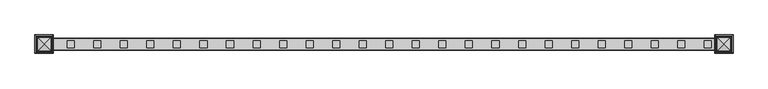
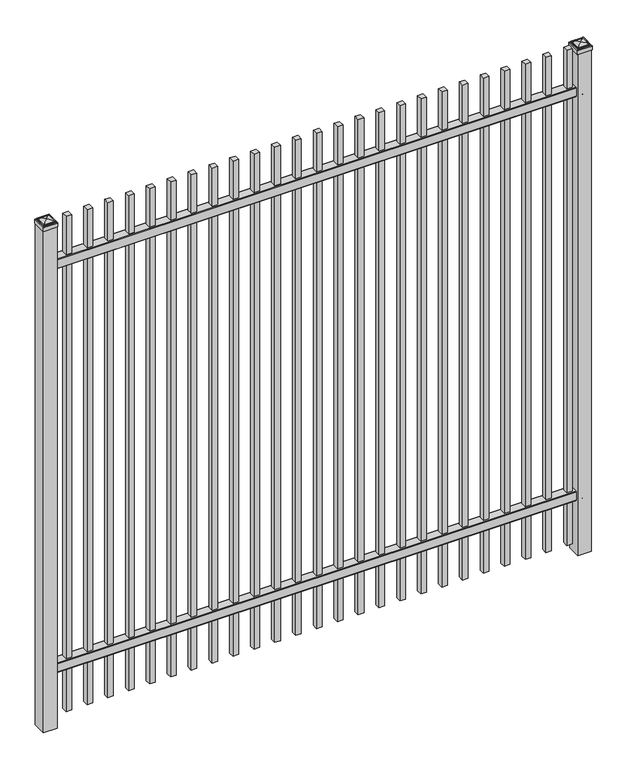
"""IFC4 building model written with IfcOpenShell, lengths in millimetres: railing geometry."""

from ifc_helpers import new_model, si_unit, point, frame, frame_2d, origin, origin_with_axes, place, context, project, spatial, polyline, circle_curve, ellipse_curve, trimmed, segment, composite_curve, outline, extrude, source, transform, mapped, element, save
from ifc_brep_helpers import plane_surface, cylinder_surface, advanced_brep


def railing_2d5fb103(model_context):
    return source(origin(), model_context, "Body", "SolidModel", [
        extrude(outline(composite_curve([segment(polyline([(7301.9139761, 304.8), (7339.969541, 304.8)]), True, "CONTINUOUS"), segment(trimmed(circle_curve(frame_2d((7339.969541, 301.625)), 3.175), [point((7339.969541, 304.8))], [point((7343.144541, 301.625))], False, "CARTESIAN"), True, "CONTINUOUS"), segment(polyline([(7343.144541, 301.625), (7343.144541, 262.1439893)]), True, "CONTINUOUS"), segment(trimmed(circle_curve(frame_2d((7341.3505518, 262.1439893)), 1.7939893), [point((7343.144541, 262.1439893))], [point((7341.3505518, 260.35))], False, "CARTESIAN"), True, "CONTINUOUS"), segment(polyline([(7341.3505518, 260.35), (7338.7590713, 260.35)]), True, "CONTINUOUS"), segment(trimmed(circle_curve(frame_2d((7338.7590713, 262.1359375)), 1.7859375), [point((7338.7590713, 260.35))], [point((7336.9755813, 262.0424688))], False, "CARTESIAN"), True, "CONTINUOUS"), segment(polyline([(7336.9755813, 262.0424688), (7335.4025867, 292.0569942), (7306.4364954, 292.0569942), (7304.8635007, 262.0424688)]), True, "CONTINUOUS"), segment(trimmed(circle_curve(frame_2d((7303.0800108, 262.1359375)), 1.7859375), [point((7304.8635007, 262.0424688))], [point((7303.0800108, 260.35))], False, "CARTESIAN"), True, "CONTINUOUS"), segment(polyline([(7303.0800108, 260.35), (7300.4804785, 260.35)]), True, "CONTINUOUS"), segment(trimmed(circle_curve(frame_2d((7300.4804785, 262.1359375)), 1.7859375), [point((7300.4804785, 260.35))], [point((7298.694541, 262.1359375))], False, "CARTESIAN"), True, "CONTINUOUS"), segment(polyline([(7298.694541, 262.1359375), (7298.694541, 301.5805649)]), True, "CONTINUOUS"), segment(trimmed(circle_curve(frame_2d((7301.9139761, 301.5805649)), 3.2194351), [point((7298.694541, 301.5805649))], [point((7301.9139761, 304.8))], False, "CARTESIAN"), True, "CONTINUOUS")], self_intersect=False)), frame((2341.3350064, 0.0, 0.0), z_axis=(1.0, 0.0, 0.0), x_axis=(0.0, 1.0, 0.0)), (0.0, 0.0, 1.0), 2438.4),
        extrude(outline(composite_curve([segment(polyline([(7301.9139761, 2252.6625), (7339.969541, 2252.6625)]), True, "CONTINUOUS"), segment(trimmed(circle_curve(frame_2d((7339.969541, 2249.4875)), 3.175), [point((7339.969541, 2252.6625))], [point((7343.144541, 2249.4875))], False, "CARTESIAN"), True, "CONTINUOUS"), segment(polyline([(7343.144541, 2249.4875), (7343.144541, 2210.0064893)]), True, "CONTINUOUS"), segment(trimmed(circle_curve(frame_2d((7341.3505518, 2210.0064893)), 1.7939893), [point((7343.144541, 2210.0064893))], [point((7341.3505518, 2208.2125))], False, "CARTESIAN"), True, "CONTINUOUS"), segment(polyline([(7341.3505518, 2208.2125), (7338.7590713, 2208.2125)]), True, "CONTINUOUS"), segment(trimmed(circle_curve(frame_2d((7338.7590713, 2209.9984375)), 1.7859375), [point((7338.7590713, 2208.2125))], [point((7336.9755813, 2209.9049688))], False, "CARTESIAN"), True, "CONTINUOUS"), segment(polyline([(7336.9755813, 2209.9049688), (7335.4025867, 2239.9194942), (7306.4364954, 2239.9194942), (7304.8635007, 2209.9049688)]), True, "CONTINUOUS"), segment(trimmed(circle_curve(frame_2d((7303.0800108, 2209.9984375)), 1.7859375), [point((7304.8635007, 2209.9049688))], [point((7303.0800108, 2208.2125))], False, "CARTESIAN"), True, "CONTINUOUS"), segment(polyline([(7303.0800108, 2208.2125), (7300.4804785, 2208.2125)]), True, "CONTINUOUS"), segment(trimmed(circle_curve(frame_2d((7300.4804785, 2209.9984375)), 1.7859375), [point((7300.4804785, 2208.2125))], [point((7298.694541, 2209.9984375))], False, "CARTESIAN"), True, "CONTINUOUS"), segment(polyline([(7298.694541, 2209.9984375), (7298.694541, 2249.4430649)]), True, "CONTINUOUS"), segment(trimmed(circle_curve(frame_2d((7301.9139761, 2249.4430649)), 3.2194351), [point((7298.694541, 2249.4430649))], [point((7301.9139761, 2252.6625))], False, "CARTESIAN"), True, "CONTINUOUS")], self_intersect=False)), frame((2341.3350064, 0.0, 0.0), z_axis=(1.0, 0.0, 0.0), x_axis=(0.0, 1.0, 0.0)), (0.0, 0.0, 1.0), 2438.4),
        extrude(outline(polyline([(4709.8850064, 7333.619541), (4735.2850064, 7333.619541), (4735.2850064, 7308.219541), (4709.8850064, 7308.219541), (4709.8850064, 7333.619541)])), frame((0.0, 0.0, 50.8), z_axis=(0.0, 0.0, 1.0), x_axis=(1.0, 0.0, 0.0)), (0.0, 0.0, 1.0), 2387.6),
        extrude(outline(polyline([(4614.6350064, 7333.619541), (4640.0350064, 7333.619541), (4640.0350064, 7308.219541), (4614.6350064, 7308.219541), (4614.6350064, 7333.619541)])), frame((0.0, 0.0, 50.8), z_axis=(0.0, 0.0, 1.0), x_axis=(1.0, 0.0, 0.0)), (0.0, 0.0, 1.0), 2387.6),
        extrude(outline(polyline([(4519.3850064, 7333.619541), (4544.7850064, 7333.619541), (4544.7850064, 7308.219541), (4519.3850064, 7308.219541), (4519.3850064, 7333.619541)])), frame((0.0, 0.0, 50.8), z_axis=(0.0, 0.0, 1.0), x_axis=(1.0, 0.0, 0.0)), (0.0, 0.0, 1.0), 2387.6),
        extrude(outline(polyline([(4424.1350064, 7333.619541), (4449.5350064, 7333.619541), (4449.5350064, 7308.219541), (4424.1350064, 7308.219541), (4424.1350064, 7333.619541)])), frame((0.0, 0.0, 50.8), z_axis=(0.0, 0.0, 1.0), x_axis=(1.0, 0.0, 0.0)), (0.0, 0.0, 1.0), 2387.6),
        extrude(outline(polyline([(4328.8850064, 7333.619541), (4354.2850064, 7333.619541), (4354.2850064, 7308.219541), (4328.8850064, 7308.219541), (4328.8850064, 7333.619541)])), frame((0.0, 0.0, 50.8), z_axis=(0.0, 0.0, 1.0), x_axis=(1.0, 0.0, 0.0)), (0.0, 0.0, 1.0), 2387.6),
        extrude(outline(polyline([(4233.6350064, 7333.619541), (4259.0350064, 7333.619541), (4259.0350064, 7308.219541), (4233.6350064, 7308.219541), (4233.6350064, 7333.619541)])), frame((0.0, 0.0, 50.8), z_axis=(0.0, 0.0, 1.0), x_axis=(1.0, 0.0, 0.0)), (0.0, 0.0, 1.0), 2387.6),
        extrude(outline(polyline([(4138.3850064, 7333.619541), (4163.7850064, 7333.619541), (4163.7850064, 7308.219541), (4138.3850064, 7308.219541), (4138.3850064, 7333.619541)])), frame((0.0, 0.0, 50.8), z_axis=(0.0, 0.0, 1.0), x_axis=(1.0, 0.0, 0.0)), (0.0, 0.0, 1.0), 2387.6),
        extrude(outline(polyline([(4043.1350064, 7333.619541), (4068.5350064, 7333.619541), (4068.5350064, 7308.219541), (4043.1350064, 7308.219541), (4043.1350064, 7333.619541)])), frame((0.0, 0.0, 50.8), z_axis=(0.0, 0.0, 1.0), x_axis=(1.0, 0.0, 0.0)), (0.0, 0.0, 1.0), 2387.6),
        extrude(outline(polyline([(3947.8850064, 7333.619541), (3973.2850064, 7333.619541), (3973.2850064, 7308.219541), (3947.8850064, 7308.219541), (3947.8850064, 7333.619541)])), frame((0.0, 0.0, 50.8), z_axis=(0.0, 0.0, 1.0), x_axis=(1.0, 0.0, 0.0)), (0.0, 0.0, 1.0), 2387.6),
        extrude(outline(polyline([(3852.6350064, 7333.619541), (3878.0350064, 7333.619541), (3878.0350064, 7308.219541), (3852.6350064, 7308.219541), (3852.6350064, 7333.619541)])), frame((0.0, 0.0, 50.8), z_axis=(0.0, 0.0, 1.0), x_axis=(1.0, 0.0, 0.0)), (0.0, 0.0, 1.0), 2387.6),
        extrude(outline(polyline([(3757.3850064, 7333.619541), (3782.7850064, 7333.619541), (3782.7850064, 7308.219541), (3757.3850064, 7308.219541), (3757.3850064, 7333.619541)])), frame((0.0, 0.0, 50.8), z_axis=(0.0, 0.0, 1.0), x_axis=(1.0, 0.0, 0.0)), (0.0, 0.0, 1.0), 2387.6),
        extrude(outline(polyline([(3662.1350064, 7333.619541), (3687.5350064, 7333.619541), (3687.5350064, 7308.219541), (3662.1350064, 7308.219541), (3662.1350064, 7333.619541)])), frame((0.0, 0.0, 50.8), z_axis=(0.0, 0.0, 1.0), x_axis=(1.0, 0.0, 0.0)), (0.0, 0.0, 1.0), 2387.6),
        extrude(outline(polyline([(3566.8850064, 7333.619541), (3592.2850064, 7333.619541), (3592.2850064, 7308.219541), (3566.8850064, 7308.219541), (3566.8850064, 7333.619541)])), frame((0.0, 0.0, 50.8), z_axis=(0.0, 0.0, 1.0), x_axis=(1.0, 0.0, 0.0)), (0.0, 0.0, 1.0), 2387.6),
        extrude(outline(polyline([(3471.6350064, 7333.619541), (3497.0350064, 7333.619541), (3497.0350064, 7308.219541), (3471.6350064, 7308.219541), (3471.6350064, 7333.619541)])), frame((0.0, 0.0, 50.8), z_axis=(0.0, 0.0, 1.0), x_axis=(1.0, 0.0, 0.0)), (0.0, 0.0, 1.0), 2387.6),
        extrude(outline(polyline([(3376.3850064, 7333.619541), (3401.7850064, 7333.619541), (3401.7850064, 7308.219541), (3376.3850064, 7308.219541), (3376.3850064, 7333.619541)])), frame((0.0, 0.0, 50.8), z_axis=(0.0, 0.0, 1.0), x_axis=(1.0, 0.0, 0.0)), (0.0, 0.0, 1.0), 2387.6),
        extrude(outline(polyline([(3281.1350064, 7333.619541), (3306.5350064, 7333.619541), (3306.5350064, 7308.219541), (3281.1350064, 7308.219541), (3281.1350064, 7333.619541)])), frame((0.0, 0.0, 50.8), z_axis=(0.0, 0.0, 1.0), x_axis=(1.0, 0.0, 0.0)), (0.0, 0.0, 1.0), 2387.6),
        extrude(outline(polyline([(3185.8850064, 7333.619541), (3211.2850064, 7333.619541), (3211.2850064, 7308.219541), (3185.8850064, 7308.219541), (3185.8850064, 7333.619541)])), frame((0.0, 0.0, 50.8), z_axis=(0.0, 0.0, 1.0), x_axis=(1.0, 0.0, 0.0)), (0.0, 0.0, 1.0), 2387.6),
        extrude(outline(polyline([(3090.6350064, 7333.619541), (3116.0350064, 7333.619541), (3116.0350064, 7308.219541), (3090.6350064, 7308.219541), (3090.6350064, 7333.619541)])), frame((0.0, 0.0, 50.8), z_axis=(0.0, 0.0, 1.0), x_axis=(1.0, 0.0, 0.0)), (0.0, 0.0, 1.0), 2387.6),
        extrude(outline(polyline([(2995.3850064, 7333.619541), (3020.7850064, 7333.619541), (3020.7850064, 7308.219541), (2995.3850064, 7308.219541), (2995.3850064, 7333.619541)])), frame((0.0, 0.0, 50.8), z_axis=(0.0, 0.0, 1.0), x_axis=(1.0, 0.0, 0.0)), (0.0, 0.0, 1.0), 2387.6),
        extrude(outline(polyline([(2900.1350064, 7333.619541), (2925.5350064, 7333.619541), (2925.5350064, 7308.219541), (2900.1350064, 7308.219541), (2900.1350064, 7333.619541)])), frame((0.0, 0.0, 50.8), z_axis=(0.0, 0.0, 1.0), x_axis=(1.0, 0.0, 0.0)), (0.0, 0.0, 1.0), 2387.6),
        extrude(outline(polyline([(2804.8850064, 7333.619541), (2830.2850064, 7333.619541), (2830.2850064, 7308.219541), (2804.8850064, 7308.219541), (2804.8850064, 7333.619541)])), frame((0.0, 0.0, 50.8), z_axis=(0.0, 0.0, 1.0), x_axis=(1.0, 0.0, 0.0)), (0.0, 0.0, 1.0), 2387.6),
        extrude(outline(polyline([(2709.6350064, 7333.619541), (2735.0350064, 7333.619541), (2735.0350064, 7308.219541), (2709.6350064, 7308.219541), (2709.6350064, 7333.619541)])), frame((0.0, 0.0, 50.8), z_axis=(0.0, 0.0, 1.0), x_axis=(1.0, 0.0, 0.0)), (0.0, 0.0, 1.0), 2387.6),
        extrude(outline(polyline([(2614.3850064, 7333.619541), (2639.7850064, 7333.619541), (2639.7850064, 7308.219541), (2614.3850064, 7308.219541), (2614.3850064, 7333.619541)])), frame((0.0, 0.0, 50.8), z_axis=(0.0, 0.0, 1.0), x_axis=(1.0, 0.0, 0.0)), (0.0, 0.0, 1.0), 2387.6),
        extrude(outline(polyline([(2519.1350064, 7333.619541), (2544.5350064, 7333.619541), (2544.5350064, 7308.219541), (2519.1350064, 7308.219541), (2519.1350064, 7333.619541)])), frame((0.0, 0.0, 50.8), z_axis=(0.0, 0.0, 1.0), x_axis=(1.0, 0.0, 0.0)), (0.0, 0.0, 1.0), 2387.6),
        extrude(outline(polyline([(2423.8850064, 7333.619541), (2449.2850064, 7333.619541), (2449.2850064, 7308.219541), (2423.8850064, 7308.219541), (2423.8850064, 7333.619541)])), frame((0.0, 0.0, 50.8), z_axis=(0.0, 0.0, 1.0), x_axis=(1.0, 0.0, 0.0)), (0.0, 0.0, 1.0), 2387.6),
        extrude(outline(polyline([(4811.4850064, 7352.669541), (4811.4850064, 7289.169541), (4747.9850064, 7289.169541), (4747.9850064, 7352.669541), (4811.4850064, 7352.669541)])), origin_with_axes(), (0.0, 0.0, 1.0), 2417.7625),
        advanced_brep(
        [(4746.3975064, 7354.257041, 2436.01875), (4746.3975064, 7354.257041, 2417.7625), (4746.3975064, 7287.582041, 2417.7625), (4746.3975064, 7287.582041, 2436.01875), (4748.7787564, 7351.875791, 2438.4), (4748.7787564, 7289.963291, 2438.4), (4751.1600064, 7349.494541, 2440.78125), (4751.1600064, 7349.494541, 2438.4), (4751.1600064, 7292.344541, 2438.4), (4751.1600064, 7292.344541, 2440.78125), (4753.5412564, 7347.113291, 2443.1625), (4753.5412564, 7294.725791, 2443.1625), (4779.7350064, 7320.919541, 2449.5125), (4755.9225064, 7344.732041, 2443.1625), (4755.9225064, 7297.107041, 2443.1625), (4813.0725064, 7287.582041, 2417.7625), (4813.0725064, 7287.582041, 2436.01875), (4810.6912564, 7289.963291, 2438.4), (4808.3100064, 7292.344541, 2438.4), (4808.3100064, 7292.344541, 2440.78125), (4805.9287564, 7294.725791, 2443.1625), (4803.5475064, 7297.107041, 2443.1625), (4813.0725064, 7354.257041, 2417.7625), (4813.0725064, 7354.257041, 2436.01875), (4810.6912564, 7351.875791, 2438.4), (4808.3100064, 7349.494541, 2438.4), (4808.3100064, 7349.494541, 2440.78125), (4805.9287564, 7347.113291, 2443.1625), (4803.5475064, 7344.732041, 2443.1625)],
        [
            (0, 1),
            (1, 2),
            (2, 3),
            (3, 0),
            (4, 0, ellipse_curve(frame((4748.7787564, 7351.875791, 2436.01875), z_axis=(-0.70710678118655, -0.7071067811865449, 0.0), x_axis=(-0.7071067811865448, 0.7071067811865501, 0.0)), 3.367596, 2.38125)),
            (3, 5, ellipse_curve(frame((4748.7787564, 7289.963291, 2436.01875), z_axis=(-0.7071067811865449, 0.70710678118655, 0.0), x_axis=(0.7071067811865499, 0.707106781186545, 0.0)), 3.367596, 2.38125)),
            (5, 4),
            (6, 7),
            (7, 8),
            (8, 9),
            (9, 6),
            (10, 6, ellipse_curve(frame((4753.5412564, 7347.113291, 2440.78125), z_axis=(-0.70710678118655, -0.7071067811865449, 0.0), x_axis=(-0.7071067811865448, 0.7071067811865501, 0.0)), 3.367596, 2.38125)),
            (9, 11, ellipse_curve(frame((4753.5412564, 7294.725791, 2440.78125), z_axis=(-0.7071067811865449, 0.70710678118655, 0.0), x_axis=(0.7071067811865499, 0.707106781186545, 0.0)), 3.367596, 2.38125)),
            (11, 10),
            (12, 13, ellipse_curve(frame((4779.7350064, 7320.919541, 2401.6890625), z_axis=(-0.70710678118655, -0.7071067811865449, 0.0), x_axis=(-0.7071067811865448, 0.7071067811865501, 0.0)), 67.6325539, 47.8234375)),
            (13, 14),
            (14, 12, ellipse_curve(frame((4779.7350064, 7320.919541, 2401.6890625), z_axis=(-0.7071067811865449, 0.70710678118655, 0.0), x_axis=(0.7071067811865499, 0.707106781186545, 0.0)), 67.6325539, 47.8234375)),
            (2, 15),
            (15, 16),
            (16, 3),
            (16, 17, ellipse_curve(frame((4810.6912564, 7289.963291, 2436.01875), z_axis=(-0.70710678118655, -0.707106781186545, 0.0), x_axis=(-0.707106781186545, 0.70710678118655, 0.0)), 3.367596, 2.38125)),
            (17, 5),
            (8, 18),
            (18, 19),
            (19, 9),
            (19, 20, ellipse_curve(frame((4805.9287564, 7294.725791, 2440.78125), z_axis=(-0.70710678118655, -0.707106781186545, 0.0), x_axis=(-0.707106781186545, 0.70710678118655, 0.0)), 3.367596, 2.38125)),
            (20, 11),
            (14, 21),
            (21, 12, ellipse_curve(frame((4779.7350064, 7320.919541, 2401.6890625), z_axis=(-0.70710678118655, -0.707106781186545, 0.0), x_axis=(-0.707106781186545, 0.70710678118655, 0.0)), 67.6325539, 47.8234375)),
            (15, 22),
            (22, 23),
            (23, 16),
            (23, 24, ellipse_curve(frame((4810.6912564, 7351.875791, 2436.01875), z_axis=(0.707106781186545, -0.7071067811865499, 0.0), x_axis=(-0.7071067811865497, -0.7071067811865452, 0.0)), 3.367596, 2.38125)),
            (24, 17),
            (18, 25),
            (25, 26),
            (26, 19),
            (26, 27, ellipse_curve(frame((4805.9287564, 7347.113291, 2440.78125), z_axis=(0.707106781186545, -0.7071067811865499, 0.0), x_axis=(-0.7071067811865497, -0.7071067811865452, 0.0)), 3.367596, 2.38125)),
            (27, 20),
            (21, 28),
            (28, 12, ellipse_curve(frame((4779.7350064, 7320.919541, 2401.6890625), z_axis=(0.707106781186545, -0.7071067811865499, 0.0), x_axis=(-0.7071067811865497, -0.7071067811865452, 0.0)), 67.6325539, 47.8234375)),
            (22, 1),
            (0, 23),
            (4, 24),
            (7, 25),
            (6, 26),
            (10, 27),
            (13, 28),
        ],
        [
            plane_surface(frame((4746.3975064, 7354.257041, 2417.7625), z_axis=(-1.0, 0.0, 0.0), x_axis=(0.0, -1.0, 0.0))),
            cylinder_surface(frame((4748.7787564, 7352.669541, 2436.01875), z_axis=(0.0, 1.0, 0.0), x_axis=(1.0, 0.0, 0.0)), 2.38125),
            plane_surface(frame((4751.1600064, 7349.494541, 2438.4), z_axis=(-1.0, 0.0, 0.0), x_axis=(0.0, -1.0, 0.0))),
            cylinder_surface(frame((4753.5412564, 7352.669541, 2440.78125), z_axis=(0.0, 1.0, 0.0), x_axis=(1.0, 0.0, 0.0)), 2.38125),
            cylinder_surface(frame((4779.7350064, 7352.669541, 2401.6890625), z_axis=(0.0, 1.0, 0.0), x_axis=(1.0, 0.0, 0.0)), 47.8234375),
            plane_surface(frame((4746.3975064, 7287.582041, 2417.7625), z_axis=(0.0, -1.0, 0.0), x_axis=(1.0, 0.0, 0.0))),
            cylinder_surface(frame((4747.9850064, 7289.963291, 2436.01875), z_axis=(-1.0, 0.0, 0.0), x_axis=(0.0, 1.0, 0.0)), 2.38125),
            plane_surface(frame((4751.1600064, 7292.344541, 2438.4), z_axis=(0.0, -1.0, 0.0), x_axis=(1.0, 0.0, 0.0))),
            cylinder_surface(frame((4747.9850064, 7294.725791, 2440.78125), z_axis=(-1.0, 0.0, 0.0), x_axis=(0.0, 1.0, 0.0)), 2.38125),
            cylinder_surface(frame((4747.9850064, 7320.919541, 2401.6890625), z_axis=(-1.0, 0.0, 0.0), x_axis=(0.0, 1.0, 0.0)), 47.8234375),
            plane_surface(frame((4813.0725064, 7287.582041, 2417.7625), z_axis=(1.0, 0.0, 0.0), x_axis=(0.0, 1.0, 0.0))),
            cylinder_surface(frame((4810.6912564, 7289.169541, 2436.01875), z_axis=(0.0, -1.0, 0.0), x_axis=(-1.0, 0.0, 0.0)), 2.38125),
            plane_surface(frame((4808.3100064, 7292.344541, 2438.4), z_axis=(1.0, 0.0, 0.0), x_axis=(0.0, 1.0, 0.0))),
            cylinder_surface(frame((4805.9287564, 7289.169541, 2440.78125), z_axis=(0.0, -1.0, 0.0), x_axis=(-1.0, 0.0, 0.0)), 2.38125),
            cylinder_surface(frame((4779.7350064, 7289.169541, 2401.6890625), z_axis=(0.0, -1.0, 0.0), x_axis=(-1.0, 0.0, 0.0)), 47.8234375),
            plane_surface(frame((4813.0725064, 7354.257041, 2417.7625), z_axis=(0.0, 1.0, 0.0), x_axis=(-1.0, 0.0, 0.0))),
            cylinder_surface(frame((4811.4850064, 7351.875791, 2436.01875), z_axis=(1.0, 0.0, 0.0), x_axis=(0.0, -1.0, 0.0)), 2.38125),
            plane_surface(frame((4810.6912564, 7351.875791, 2438.4), z_axis=(0.0, 0.0, 1.0), x_axis=(-1.0, 0.0, 0.0))),
            plane_surface(frame((4808.3100064, 7349.494541, 2438.4), z_axis=(0.0, 1.0, 0.0), x_axis=(-1.0, 0.0, 0.0))),
            cylinder_surface(frame((4811.4850064, 7347.113291, 2440.78125), z_axis=(1.0, 0.0, 0.0), x_axis=(0.0, -1.0, 0.0)), 2.38125),
            plane_surface(frame((4805.9287564, 7347.113291, 2443.1625), z_axis=(0.0, 0.0, 1.0), x_axis=(-1.0, 0.0, 0.0))),
            cylinder_surface(frame((4811.4850064, 7320.919541, 2401.6890625), z_axis=(1.0, 0.0, 0.0), x_axis=(0.0, -1.0, 0.0)), 47.8234375),
            plane_surface(frame((4779.7350064, 7320.919541, 2417.7625), z_axis=(0.0, 0.0, -1.0), x_axis=(-1.0, 0.0, 0.0))),
        ],
        [
            (0, [[1, 2, 3, 4]]),
            (1, [[5, -4, 6, 7]]),
            (2, [[8, 9, 10, 11]]),
            (3, [[12, -11, 13, 14]]),
            (4, [[15, 16, 17]]),
            (5, [[-3, 18, 19, 20]]),
            (6, [[-6, -20, 21, 22]]),
            (7, [[-10, 23, 24, 25]]),
            (8, [[-13, -25, 26, 27]]),
            (9, [[-17, 28, 29]]),
            (10, [[-19, 30, 31, 32]]),
            (11, [[-21, -32, 33, 34]]),
            (12, [[-24, 35, 36, 37]]),
            (13, [[-26, -37, 38, 39]]),
            (14, [[-29, 40, 41]]),
            (15, [[-31, 42, -1, 43]]),
            (16, [[-33, -43, -5, 44]]),
            (17, [[-22, -34, -44, -7], [45, -35, -23, -9]]),
            (18, [[-36, -45, -8, 46]]),
            (19, [[-38, -46, -12, 47]]),
            (20, [[-27, -39, -47, -14], [48, -40, -28, -16]]),
            (21, [[-41, -48, -15]]),
            (22, [[-42, -30, -18, -2]]),
        ],
    ),
        extrude(outline(polyline([(2373.0850064, 7352.669541), (2373.0850064, 7289.169541), (2309.5850064, 7289.169541), (2309.5850064, 7352.669541), (2373.0850064, 7352.669541)])), origin_with_axes(), (0.0, 0.0, 1.0), 2417.7625),
        advanced_brep(
        [(2307.9975064, 7354.257041, 2436.01875), (2307.9975064, 7354.257041, 2417.7625), (2307.9975064, 7287.582041, 2417.7625), (2307.9975064, 7287.582041, 2436.01875), (2310.3787564, 7351.875791, 2438.4), (2310.3787564, 7289.963291, 2438.4), (2312.7600064, 7349.494541, 2440.78125), (2312.7600064, 7349.494541, 2438.4), (2312.7600064, 7292.344541, 2438.4), (2312.7600064, 7292.344541, 2440.78125), (2315.1412564, 7347.113291, 2443.1625), (2315.1412564, 7294.725791, 2443.1625), (2341.3350064, 7320.919541, 2449.5125), (2317.5225064, 7344.732041, 2443.1625), (2317.5225064, 7297.107041, 2443.1625), (2374.6725064, 7287.582041, 2417.7625), (2374.6725064, 7287.582041, 2436.01875), (2372.2912564, 7289.963291, 2438.4), (2369.9100064, 7292.344541, 2438.4), (2369.9100064, 7292.344541, 2440.78125), (2367.5287564, 7294.725791, 2443.1625), (2365.1475064, 7297.107041, 2443.1625), (2374.6725064, 7354.257041, 2417.7625), (2374.6725064, 7354.257041, 2436.01875), (2372.2912564, 7351.875791, 2438.4), (2369.9100064, 7349.494541, 2438.4), (2369.9100064, 7349.494541, 2440.78125), (2367.5287564, 7347.113291, 2443.1625), (2365.1475064, 7344.732041, 2443.1625)],
        [
            (0, 1),
            (1, 2),
            (2, 3),
            (3, 0),
            (4, 0, ellipse_curve(frame((2310.3787564, 7351.875791, 2436.01875), z_axis=(-0.70710678118655, -0.7071067811865449, 0.0), x_axis=(-0.7071067811865448, 0.7071067811865501, 0.0)), 3.367596, 2.38125)),
            (3, 5, ellipse_curve(frame((2310.3787564, 7289.963291, 2436.01875), z_axis=(-0.7071067811865449, 0.70710678118655, 0.0), x_axis=(0.7071067811865499, 0.707106781186545, 0.0)), 3.367596, 2.38125)),
            (5, 4),
            (6, 7),
            (7, 8),
            (8, 9),
            (9, 6),
            (10, 6, ellipse_curve(frame((2315.1412564, 7347.113291, 2440.78125), z_axis=(-0.70710678118655, -0.7071067811865449, 0.0), x_axis=(-0.7071067811865448, 0.7071067811865501, 0.0)), 3.367596, 2.38125)),
            (9, 11, ellipse_curve(frame((2315.1412564, 7294.725791, 2440.78125), z_axis=(-0.7071067811865449, 0.70710678118655, 0.0), x_axis=(0.7071067811865499, 0.707106781186545, 0.0)), 3.367596, 2.38125)),
            (11, 10),
            (12, 13, ellipse_curve(frame((2341.3350064, 7320.919541, 2401.6890625), z_axis=(-0.70710678118655, -0.7071067811865449, 0.0), x_axis=(-0.7071067811865448, 0.7071067811865501, 0.0)), 67.6325539, 47.8234375)),
            (13, 14),
            (14, 12, ellipse_curve(frame((2341.3350064, 7320.919541, 2401.6890625), z_axis=(-0.7071067811865449, 0.70710678118655, 0.0), x_axis=(0.7071067811865499, 0.707106781186545, 0.0)), 67.6325539, 47.8234375)),
            (2, 15),
            (15, 16),
            (16, 3),
            (16, 17, ellipse_curve(frame((2372.2912564, 7289.963291, 2436.01875), z_axis=(-0.70710678118655, -0.707106781186545, 0.0), x_axis=(-0.707106781186545, 0.70710678118655, 0.0)), 3.367596, 2.38125)),
            (17, 5),
            (8, 18),
            (18, 19),
            (19, 9),
            (19, 20, ellipse_curve(frame((2367.5287564, 7294.725791, 2440.78125), z_axis=(-0.70710678118655, -0.707106781186545, 0.0), x_axis=(-0.707106781186545, 0.70710678118655, 0.0)), 3.367596, 2.38125)),
            (20, 11),
            (14, 21),
            (21, 12, ellipse_curve(frame((2341.3350064, 7320.919541, 2401.6890625), z_axis=(-0.70710678118655, -0.707106781186545, 0.0), x_axis=(-0.707106781186545, 0.70710678118655, 0.0)), 67.6325539, 47.8234375)),
            (15, 22),
            (22, 23),
            (23, 16),
            (23, 24, ellipse_curve(frame((2372.2912564, 7351.875791, 2436.01875), z_axis=(0.707106781186545, -0.7071067811865499, 0.0), x_axis=(-0.7071067811865497, -0.7071067811865452, 0.0)), 3.367596, 2.38125)),
            (24, 17),
            (18, 25),
            (25, 26),
            (26, 19),
            (26, 27, ellipse_curve(frame((2367.5287564, 7347.113291, 2440.78125), z_axis=(0.707106781186545, -0.7071067811865499, 0.0), x_axis=(-0.7071067811865497, -0.7071067811865452, 0.0)), 3.367596, 2.38125)),
            (27, 20),
            (21, 28),
            (28, 12, ellipse_curve(frame((2341.3350064, 7320.919541, 2401.6890625), z_axis=(0.707106781186545, -0.7071067811865499, 0.0), x_axis=(-0.7071067811865497, -0.7071067811865452, 0.0)), 67.6325539, 47.8234375)),
            (22, 1),
            (0, 23),
            (4, 24),
            (7, 25),
            (6, 26),
            (10, 27),
            (13, 28),
        ],
        [
            plane_surface(frame((2307.9975064, 7354.257041, 2417.7625), z_axis=(-1.0, 0.0, 0.0), x_axis=(0.0, -1.0, 0.0))),
            cylinder_surface(frame((2310.3787564, 7352.669541, 2436.01875), z_axis=(0.0, 1.0, 0.0), x_axis=(1.0, 0.0, 0.0)), 2.38125),
            plane_surface(frame((2312.7600064, 7349.494541, 2438.4), z_axis=(-1.0, 0.0, 0.0), x_axis=(0.0, -1.0, 0.0))),
            cylinder_surface(frame((2315.1412564, 7352.669541, 2440.78125), z_axis=(0.0, 1.0, 0.0), x_axis=(1.0, 0.0, 0.0)), 2.38125),
            cylinder_surface(frame((2341.3350064, 7352.669541, 2401.6890625), z_axis=(0.0, 1.0, 0.0), x_axis=(1.0, 0.0, 0.0)), 47.8234375),
            plane_surface(frame((2307.9975064, 7287.582041, 2417.7625), z_axis=(0.0, -1.0, 0.0), x_axis=(1.0, 0.0, 0.0))),
            cylinder_surface(frame((2309.5850064, 7289.963291, 2436.01875), z_axis=(-1.0, 0.0, 0.0), x_axis=(0.0, 1.0, 0.0)), 2.38125),
            plane_surface(frame((2312.7600064, 7292.344541, 2438.4), z_axis=(0.0, -1.0, 0.0), x_axis=(1.0, 0.0, 0.0))),
            cylinder_surface(frame((2309.5850064, 7294.725791, 2440.78125), z_axis=(-1.0, 0.0, 0.0), x_axis=(0.0, 1.0, 0.0)), 2.38125),
            cylinder_surface(frame((2309.5850064, 7320.919541, 2401.6890625), z_axis=(-1.0, 0.0, 0.0), x_axis=(0.0, 1.0, 0.0)), 47.8234375),
            plane_surface(frame((2374.6725064, 7287.582041, 2417.7625), z_axis=(1.0, 0.0, 0.0), x_axis=(0.0, 1.0, 0.0))),
            cylinder_surface(frame((2372.2912564, 7289.169541, 2436.01875), z_axis=(0.0, -1.0, 0.0), x_axis=(-1.0, 0.0, 0.0)), 2.38125),
            plane_surface(frame((2369.9100064, 7292.344541, 2438.4), z_axis=(1.0, 0.0, 0.0), x_axis=(0.0, 1.0, 0.0))),
            cylinder_surface(frame((2367.5287564, 7289.169541, 2440.78125), z_axis=(0.0, -1.0, 0.0), x_axis=(-1.0, 0.0, 0.0)), 2.38125),
            cylinder_surface(frame((2341.3350064, 7289.169541, 2401.6890625), z_axis=(0.0, -1.0, 0.0), x_axis=(-1.0, 0.0, 0.0)), 47.8234375),
            plane_surface(frame((2374.6725064, 7354.257041, 2417.7625), z_axis=(0.0, 1.0, 0.0), x_axis=(-1.0, 0.0, 0.0))),
            cylinder_surface(frame((2373.0850064, 7351.875791, 2436.01875), z_axis=(1.0, 0.0, 0.0), x_axis=(0.0, -1.0, 0.0)), 2.38125),
            plane_surface(frame((2372.2912564, 7351.875791, 2438.4), z_axis=(0.0, 0.0, 1.0), x_axis=(-1.0, 0.0, 0.0))),
            plane_surface(frame((2369.9100064, 7349.494541, 2438.4), z_axis=(0.0, 1.0, 0.0), x_axis=(-1.0, 0.0, 0.0))),
            cylinder_surface(frame((2373.0850064, 7347.113291, 2440.78125), z_axis=(1.0, 0.0, 0.0), x_axis=(0.0, -1.0, 0.0)), 2.38125),
            plane_surface(frame((2367.5287564, 7347.113291, 2443.1625), z_axis=(0.0, 0.0, 1.0), x_axis=(-1.0, 0.0, 0.0))),
            cylinder_surface(frame((2373.0850064, 7320.919541, 2401.6890625), z_axis=(1.0, 0.0, 0.0), x_axis=(0.0, -1.0, 0.0)), 47.8234375),
            plane_surface(frame((2341.3350064, 7320.919541, 2417.7625), z_axis=(0.0, 0.0, -1.0), x_axis=(-1.0, 0.0, 0.0))),
        ],
        [
            (0, [[1, 2, 3, 4]]),
            (1, [[5, -4, 6, 7]]),
            (2, [[8, 9, 10, 11]]),
            (3, [[12, -11, 13, 14]]),
            (4, [[15, 16, 17]]),
            (5, [[-3, 18, 19, 20]]),
            (6, [[-6, -20, 21, 22]]),
            (7, [[-10, 23, 24, 25]]),
            (8, [[-13, -25, 26, 27]]),
            (9, [[-17, 28, 29]]),
            (10, [[-19, 30, 31, 32]]),
            (11, [[-21, -32, 33, 34]]),
            (12, [[-24, 35, 36, 37]]),
            (13, [[-26, -37, 38, 39]]),
            (14, [[-29, 40, 41]]),
            (15, [[-31, 42, -1, 43]]),
            (16, [[-33, -43, -5, 44]]),
            (17, [[-22, -34, -44, -7], [45, -35, -23, -9]]),
            (18, [[-36, -45, -8, 46]]),
            (19, [[-38, -46, -12, 47]]),
            (20, [[-27, -39, -47, -14], [48, -40, -28, -16]]),
            (21, [[-41, -48, -15]]),
            (22, [[-42, -30, -18, -2]]),
        ],
    ),
    ])


if __name__ == "__main__":
    model = new_model("IFC4")
    model_context = context("Model", 3, world=origin())
    ifc_project = project(units=[si_unit("LENGTHUNIT", "METRE", prefix="MILLI")], contexts=[model_context])
    site = spatial("IfcSite", under=ifc_project)
    building = spatial("IfcBuilding", under=site)
    placement = place(None, origin())
    railing_shape = railing_2d5fb103(model_context)
    element("IfcRailing", 1, at=placement, inside=building, context=model_context, shape_type="MappedRepresentation", body=[
        mapped(railing_shape, transform((0.0, 0.0, 0.0), x_axis=(1.0, 0.0, 0.0), y_axis=(0.0, 1.0, 0.0), z_axis=(0.0, 0.0, 1.0))),
    ])
    save(model, "model.ifc")
